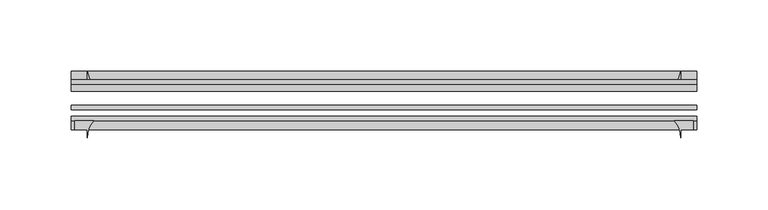
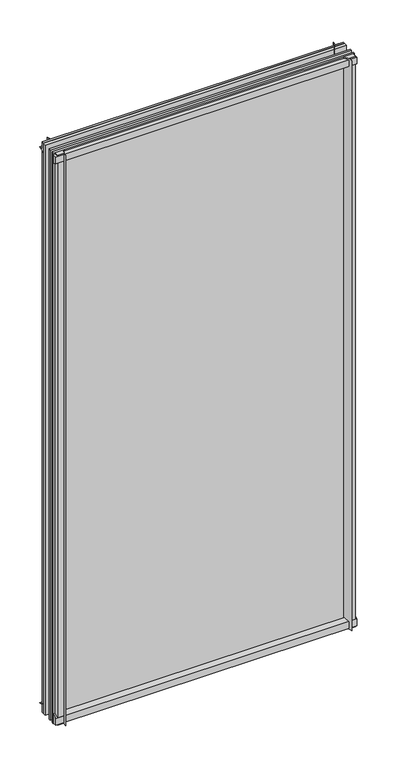
"""IFC4 building model written with IfcOpenShell, lengths in millimetres: plate geometry."""

import ifcopenshell
import ifcopenshell.guid

model = None  # the IFC model being written
_history = None  # IfcOwnerHistory: only IFC2X3 demands one
_inside = {}  # id of a spatial element -> (the spatial element, [elements in it])
_under = {}  # id of a project, library or spatial element -> (it, [spatial elements below it])
_declared = {}  # id of a project -> (the project, [libraries it declares])
_typed = {}  # id of a type object -> (the type object, [elements of that type])
_made_of = {}  # id of a material, layer set ... -> (it, [elements and type objects made of it])


def new_model(schema):
    """Start an empty IFC model of exactly this schema.

    Asked for "IFC4X3", IfcOpenShell would pick the latest addendum, in which some entities
    have other attributes; the version numbers below select the first issue.
    IFC2X3 requires an IfcOwnerHistory on every rooted entity: one is made here for all.
    """
    global model, _history
    if schema == "IFC4X3":
        model = ifcopenshell.file(schema_version=(4, 3, 0, 0))
    else:
        model = ifcopenshell.file(schema=schema)
    _inside.clear()
    _under.clear()
    _declared.clear()
    _typed.clear()
    _made_of.clear()
    _history = None
    if model.schema == "IFC2X3":
        org = make("IfcOrganization", Name="unknown")
        user = make(
            "IfcPersonAndOrganization",
            ThePerson=make("IfcPerson", FamilyName="unknown"),
            TheOrganization=org,
        )
        app = make(
            "IfcApplication",
            ApplicationDeveloper=org,
            Version="unknown",
            ApplicationFullName="unknown",
            ApplicationIdentifier="unknown",
        )
        _history = make(
            "IfcOwnerHistory",
            OwningUser=user,
            OwningApplication=app,
            ChangeAction="ADDED",
            CreationDate=0,
        )
    return model


def make(cls, **values):
    """One entity of the class cls with the attributes given. An attribute that is None is left unset."""
    return model.create_entity(
        cls, **{name: value for name, value in values.items() if value is not None}
    )


def rooted(cls, **values):
    """An entity with a GlobalId (a new one), such as an element, a storey or a relation."""
    return make(cls, GlobalId=ifcopenshell.guid.new(), OwnerHistory=_history, **values)


def si_unit(unit_type, name, prefix=None):
    """IfcSIUnit, for example si_unit("LENGTHUNIT", "METRE", prefix="MILLI")."""
    return make("IfcSIUnit", UnitType=unit_type, Prefix=prefix, Name=name)


def assignment(units):
    """IfcUnitAssignment: the units of a project."""
    return None if units is None else make("IfcUnitAssignment", Units=units)


def point(xyz):
    """IfcCartesianPoint."""
    return None if xyz is None else make("IfcCartesianPoint", Coordinates=xyz)


def direction(xyz):
    """IfcDirection."""
    return None if xyz is None else make("IfcDirection", DirectionRatios=xyz)


def frame(location, z_axis=None, x_axis=None):
    """IfcAxis2Placement3D, a coordinate frame: its origin and axes. An axis left out is left unset."""
    return make(
        "IfcAxis2Placement3D",
        Location=point(location),
        Axis=direction(z_axis),
        RefDirection=direction(x_axis),
    )


def frame_2d(location, x_axis=None):
    """IfcAxis2Placement2D, a coordinate frame in the plane: its origin and x axis."""
    return make(
        "IfcAxis2Placement2D", Location=point(location), RefDirection=direction(x_axis)
    )


def origin():
    """The frame at (0, 0, 0) with its axes left unset."""
    return frame((0.0, 0.0, 0.0))


def place(relative_to, where):
    """IfcLocalPlacement: puts the frame where relative to a parent placement (None: the world)."""
    return make(
        "IfcLocalPlacement", PlacementRelTo=relative_to, RelativePlacement=where
    )


def context(
    kind, dimensions, precision=None, world=None, true_north=None, identifier=None
):
    """IfcGeometricRepresentationContext, for example the 3D "Model" context."""
    return make(
        "IfcGeometricRepresentationContext",
        ContextIdentifier=identifier,
        ContextType=kind,
        CoordinateSpaceDimension=dimensions,
        Precision=precision,
        WorldCoordinateSystem=world,
        TrueNorth=true_north,
    )


def project(units=None, contexts=None):
    """IfcProject with its units and contexts."""
    return rooted(
        "IfcProject",
        Name="project",
        RepresentationContexts=contexts,
        UnitsInContext=assignment(units),
    )


def spatial(cls, under=None, at=None, **own):
    """A site, building, storey or space (cls), placed at a placement, below another one or the project."""
    s = rooted(cls, ObjectPlacement=at, **own)
    if under is not None:
        _under.setdefault(under.id(), (under, []))[1].append(s)
    return s


def polyline(points):
    """IfcPolyline through the points."""
    return make("IfcPolyline", Points=[point(p) for p in points])


def circle_curve(where, radius):
    """IfcCircle in the frame where."""
    return make("IfcCircle", Position=where, Radius=radius)


def trimmed(basis, trim1, trim2, sense, master):
    """IfcTrimmedCurve: the piece of a basis curve between two trims."""
    return make(
        "IfcTrimmedCurve",
        BasisCurve=basis,
        Trim1=trim1,
        Trim2=trim2,
        SenseAgreement=sense,
        MasterRepresentation=master,
    )


def segment(curve, same_sense, transition):
    """IfcCompositeCurveSegment."""
    return make(
        "IfcCompositeCurveSegment",
        Transition=transition,
        SameSense=same_sense,
        ParentCurve=curve,
    )


def composite_curve(segments, self_intersect=None):
    """IfcCompositeCurve: segments joined end to end."""
    return make("IfcCompositeCurve", Segments=segments, SelfIntersect=self_intersect)


def outline(outer, holes=None, kind="AREA"):
    """IfcArbitraryClosedProfileDef: a profile drawn as a closed curve; with holes, ...WithVoids."""
    if holes is None:
        return make("IfcArbitraryClosedProfileDef", ProfileType=kind, OuterCurve=outer)
    return make(
        "IfcArbitraryProfileDefWithVoids",
        ProfileType=kind,
        OuterCurve=outer,
        InnerCurves=holes,
    )


def extrude(swept, where, along, depth):
    """IfcExtrudedAreaSolid: the profile swept, set in the frame where, extruded along a direction by depth."""
    return make(
        "IfcExtrudedAreaSolid",
        SweptArea=swept,
        Position=where,
        ExtrudedDirection=direction(along),
        Depth=depth,
    )


def shape(context_of_items, identifier, shape_type, items):
    """IfcShapeRepresentation: the items that make up one representation, for example the "Body"."""
    return make(
        "IfcShapeRepresentation",
        ContextOfItems=context_of_items,
        RepresentationIdentifier=identifier,
        RepresentationType=shape_type,
        Items=items,
    )


def source(mapping_origin, context_of_items, identifier, shape_type, items):
    """IfcRepresentationMap: a shape defined once, which mapped items show again and again."""
    return make(
        "IfcRepresentationMap",
        MappingOrigin=mapping_origin,
        MappedRepresentation=shape(context_of_items, identifier, shape_type, items),
    )


def transform(
    local_origin,
    x_axis=None,
    y_axis=None,
    z_axis=None,
    scale=None,
    scale2=None,
    scale3=None,
    uniform=True,
):
    """IfcCartesianTransformationOperator3D, or its non-uniform kind. x_axis, y_axis, z_axis: its Axis1, 2, 3."""
    if uniform:
        return make(
            "IfcCartesianTransformationOperator3D",
            Axis1=direction(x_axis),
            Axis2=direction(y_axis),
            LocalOrigin=point(local_origin),
            Scale=scale,
            Axis3=direction(z_axis),
        )
    return make(
        "IfcCartesianTransformationOperator3DnonUniform",
        Axis1=direction(x_axis),
        Axis2=direction(y_axis),
        LocalOrigin=point(local_origin),
        Scale=scale,
        Axis3=direction(z_axis),
        Scale2=scale2,
        Scale3=scale3,
    )


def mapped(mapping_source, mapping_target):
    """IfcMappedItem: shows the shape of a source again, moved by a transform."""
    return make(
        "IfcMappedItem", MappingSource=mapping_source, MappingTarget=mapping_target
    )


def made_of(thing, what):
    """Note that an element or type object is made of a material, layer set ...; save() writes the relation."""
    if what is not None:
        _made_of.setdefault(what.id(), (what, []))[1].append(thing)
    return thing


def element(
    cls,
    number,
    at=None,
    inside=None,
    cuts=None,
    type_object=None,
    material=None,
    context=None,
    identifier="Body",
    shape_type=None,
    held_by="IfcProductDefinitionShape",
    body=None,
    shapes=None,
    **own,
):
    """One element of the class cls, such as IfcWall. Its Tag is "e" and its number.

    at: its placement. inside: the storey or other place that contains it. cuts: it is an
    opening in that element (IfcRelVoidsElement). A single representation is given by context,
    identifier, shape_type and body (its items); several are given by shapes. held_by: the class
    of the entity that holds the representations. save() writes the other relations.
    """
    e = rooted(cls, Tag="e%d" % number, ObjectPlacement=at, **own)
    if body is not None:
        shapes = [shape(context, identifier, shape_type, body)]
    if shapes is not None:
        e.Representation = make(held_by, Representations=shapes)
    if inside is not None:
        _inside.setdefault(inside.id(), (inside, []))[1].append(e)
    if cuts is not None:
        rooted(
            "IfcRelVoidsElement", RelatingBuildingElement=cuts, RelatedOpeningElement=e
        )
    if type_object is not None:
        _typed.setdefault(type_object.id(), (type_object, []))[1].append(e)
    return made_of(e, material)


def aggregate(whole, parts):
    """IfcRelAggregates: a whole, such as a stair, and the parts it consists of."""
    return rooted("IfcRelAggregates", RelatingObject=whole, RelatedObjects=parts)


def save(model, path):
    """Write the relations noted so far, then the file.

    IfcRelAggregates (storeys below a building ...), IfcRelContainedInSpatialStructure (elements
    in a storey), IfcRelDefinesByType, IfcRelAssociatesMaterial and IfcRelDeclares: one each for
    every whole, place, type object, material and project.
    """
    for whole, parts in _under.values():
        aggregate(whole, parts)
    for where, things in _inside.values():
        rooted(
            "IfcRelContainedInSpatialStructure",
            RelatedElements=things,
            RelatingStructure=where,
        )
    for kind, things in _typed.values():
        rooted("IfcRelDefinesByType", RelatedObjects=things, RelatingType=kind)
    for what, things in _made_of.values():
        rooted("IfcRelAssociatesMaterial", RelatedObjects=things, RelatingMaterial=what)
    for by, libraries in _declared.values():
        rooted("IfcRelDeclares", RelatingContext=by, RelatedDefinitions=libraries)
    model.write(path)


def plate_31725fae(model_context):
    return source(origin(), model_context, "Body", "SweptSolid", [
        extrude(outline(composite_curve([segment(polyline([(-42.891075, -11.1125), (-42.891075, 3.8539528)]), True, "CONTINUOUS"), segment(trimmed(circle_curve(frame_2d((-26.637892, 29.5913262)), 30.4397495), [point((-42.891075, 3.8539528))], [point((-33.7745413, 0.0))], True, "CARTESIAN"), True, "CONTINUOUS"), segment(polyline([(-33.7745413, 0.0), (-39.690675, 0.0), (-39.690675, -11.1125), (-42.891075, -11.1125)]), True, "CONTINUOUS")], self_intersect=False)), frame((-219.0607126, 0.0, 0.0), z_axis=(1.0, 0.0, 0.0), x_axis=(0.0, 1.0, 0.0)), (0.0, 0.0, 1.0), 438.1214253),
        extrude(outline(composite_curve([segment(trimmed(circle_curve(frame_2d((-80.4922797, 17.8701603)), 18.6769817), [point((-74.641075, 0.1333891))], [point((-68.291075, 3.72943))], True, "CARTESIAN"), True, "CONTINUOUS"), segment(polyline([(-68.291075, 3.72943), (-68.291075, -10.3251), (-74.641075, -10.3251), (-74.641075, 0.1333891)]), True, "CONTINUOUS")], self_intersect=False)), frame((-219.0607126, 0.0, 0.0), z_axis=(1.0, 0.0, 0.0), x_axis=(0.0, 1.0, 0.0)), (0.0, 0.0, 1.0), 438.1214253),
        extrude(outline(composite_curve([segment(polyline([(-42.891075, 850.2083472), (-42.891075, 865.1875), (-39.690675, 865.1875), (-39.690675, 854.075), (-33.721675, 854.075)]), True, "CONTINUOUS"), segment(trimmed(circle_curve(frame_2d((-26.637892, 824.4709738)), 30.4397495), [point((-33.721675, 854.075))], [point((-42.891075, 850.2083472))], True, "CARTESIAN"), True, "CONTINUOUS")], self_intersect=False)), frame((-219.0607126, 0.0, 0.0), z_axis=(1.0, 0.0, 0.0), x_axis=(0.0, 1.0, 0.0)), (0.0, 0.0, 1.0), 438.1214253),
        extrude(outline(composite_curve([segment(polyline([(-68.291075, 862.8126), (-68.291075, 849.53912)]), True, "CONTINUOUS"), segment(trimmed(circle_curve(frame_2d((-80.4922797, 835.3983897)), 18.6769817), [point((-68.291075, 849.53912))], [point((-74.641075, 853.1351609))], True, "CARTESIAN"), True, "CONTINUOUS"), segment(polyline([(-74.641075, 853.1351609), (-74.641075, 862.8126), (-68.291075, 862.8126)]), True, "CONTINUOUS")], self_intersect=False)), frame((-219.0607126, 0.0, 0.0), z_axis=(1.0, 0.0, 0.0), x_axis=(0.0, 1.0, 0.0)), (0.0, 0.0, 1.0), 438.1214253),
        extrude(outline(composite_curve([segment(polyline([(203.4123326, -68.291075), (216.6858126, -68.291075), (216.6858126, -74.641075), (207.9482126, -74.641075), (207.9482126, -80.3744844)]), True, "CONTINUOUS"), segment(trimmed(circle_curve(frame_2d((189.2716024, -80.4922797)), 18.6769817), [point((207.9482126, -80.3744844))], [point((203.4123326, -68.291075))], True, "CARTESIAN"), True, "CONTINUOUS")], self_intersect=False)), frame((0.0, 0.0, -11.1125), z_axis=(0.0, 0.0, 1.0), x_axis=(1.0, 0.0, 0.0)), (0.0, 0.0, 1.0), 876.3),
        extrude(outline(composite_curve([segment(trimmed(circle_curve(frame_2d((178.3441864, -26.637892)), 30.4397495), [point((204.0815599, -42.891075))], [point((207.9482126, -33.721675))], True, "CARTESIAN"), True, "CONTINUOUS"), segment(polyline([(207.9482126, -33.721675), (207.9482126, -39.690675), (219.0607126, -39.690675), (219.0607126, -42.891075), (204.0815599, -42.891075)]), True, "CONTINUOUS")], self_intersect=False)), frame((0.0, 0.0, -11.1125), z_axis=(0.0, 0.0, 1.0), x_axis=(1.0, 0.0, 0.0)), (0.0, 0.0, 1.0), 876.3),
        extrude(outline(composite_curve([segment(trimmed(circle_curve(frame_2d((-189.2716024, -80.4922797)), 18.6769817), [point((-203.4123326, -68.291075))], [point((-207.9482126, -80.3744844))], True, "CARTESIAN"), True, "CONTINUOUS"), segment(polyline([(-207.9482126, -80.3744844), (-207.9482126, -74.641075), (-216.6858126, -74.641075), (-216.6858126, -68.291075), (-203.4123326, -68.291075)]), True, "CONTINUOUS")], self_intersect=False)), frame((0.0, 0.0, -11.1125), z_axis=(0.0, 0.0, 1.0), x_axis=(1.0, 0.0, 0.0)), (0.0, 0.0, 1.0), 876.3),
        extrude(outline(composite_curve([segment(polyline([(-204.0815599, -42.891075), (-219.0607126, -42.891075), (-219.0607126, -39.690675), (-207.9482126, -39.690675), (-207.9482126, -33.721675)]), True, "CONTINUOUS"), segment(trimmed(circle_curve(frame_2d((-178.3441864, -26.637892)), 30.4397495), [point((-207.9482126, -33.721675))], [point((-204.0815599, -42.891075))], True, "CARTESIAN"), True, "CONTINUOUS")], self_intersect=False)), frame((0.0, 0.0, -11.1125), z_axis=(0.0, 0.0, 1.0), x_axis=(1.0, 0.0, 0.0)), (0.0, 0.0, 1.0), 876.3),
        extrude(outline(polyline([(-219.0607126, -42.891075), (219.0607126, -42.891075), (219.0607126, -47.653575), (-219.0607126, -47.653575), (-219.0607126, -42.891075)])), frame((0.0, 0.0, -11.1125), z_axis=(0.0, 0.0, 1.0), x_axis=(1.0, 0.0, 0.0)), (0.0, 0.0, 1.0), 876.3),
        extrude(outline(polyline([(219.0607126, -57.369075), (219.0607126, -60.544075), (-219.0607126, -60.544075), (-219.0607126, -57.369075), (219.0607126, -57.369075)])), frame((0.0, 0.0, -11.1125), z_axis=(0.0, 0.0, 1.0), x_axis=(1.0, 0.0, 0.0)), (0.0, 0.0, 1.0), 876.3),
        extrude(outline(polyline([(-219.0607126, -65.116075), (219.0607126, -65.116075), (219.0607126, -68.291075), (-219.0607126, -68.291075), (-219.0607126, -65.116075)])), frame((0.0, 0.0, -11.1125), z_axis=(0.0, 0.0, 1.0), x_axis=(1.0, 0.0, 0.0)), (0.0, 0.0, 1.0), 876.3),
    ])


if __name__ == "__main__":
    model = new_model("IFC4")
    model_context = context("Model", 3, world=origin())
    ifc_project = project(units=[si_unit("LENGTHUNIT", "METRE", prefix="MILLI")], contexts=[model_context])
    site = spatial("IfcSite", under=ifc_project)
    building = spatial("IfcBuilding", under=site)
    placement = place(None, origin())
    plate_shape = plate_31725fae(model_context)
    element("IfcPlate", 1, at=placement, inside=building, context=model_context, shape_type="MappedRepresentation", body=[
        mapped(plate_shape, transform((0.0, 0.0, 0.0), x_axis=(1.0, 0.0, 0.0), y_axis=(0.0, 1.0, 0.0), z_axis=(0.0, 0.0, 1.0))),
    ])
    save(model, "model.ifc")
